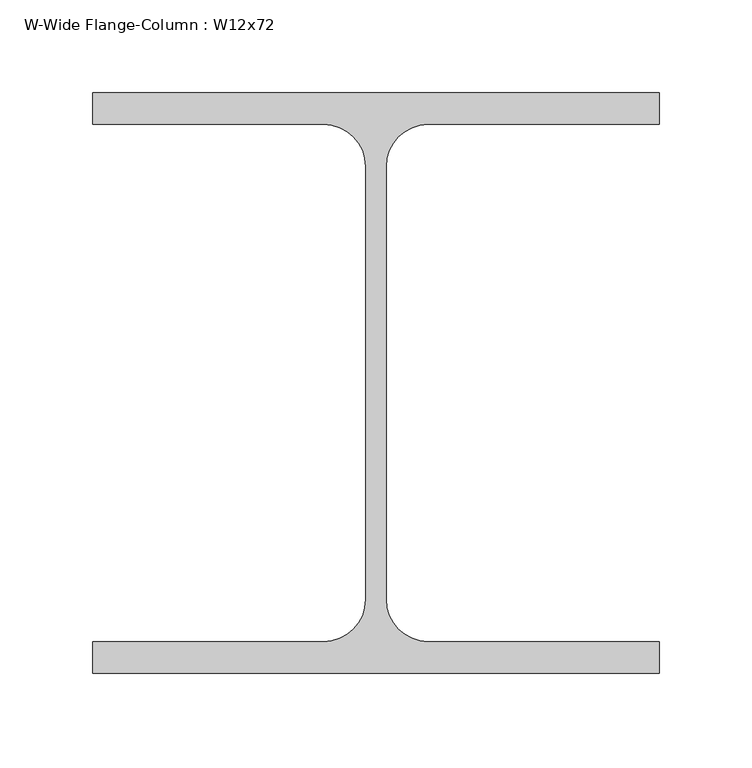
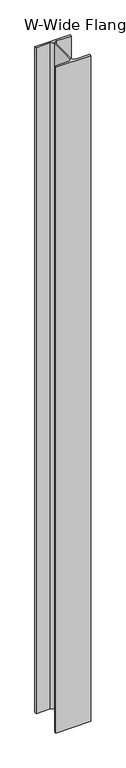
"""IFC4 building model written with IfcOpenShell, lengths in millimetres: column geometry, W-Wide Flange-Column : W12x72."""

from ifc_helpers import new_model, si_unit, point, frame, frame_2d, origin, place, context, project, spatial, polyline, circle_curve, trimmed, segment, composite_curve, outline, extrude, source, transform, mapped, element, save


def w_wide_flange_column_w12x72_5530d7a3(model_context):
    return source(origin(), model_context, "Body", "SweptSolid", [
        extrude(outline(composite_curve([segment(polyline([(152.4, 156.21), (152.4, 139.192), (28.1305, 139.192)]), True, "CONTINUOUS"), segment(trimmed(circle_curve(frame_2d((28.1305, 116.5225)), 22.6695), [point((28.1305, 139.192))], [point((5.461, 116.5225))], True, "CARTESIAN"), True, "CONTINUOUS"), segment(polyline([(5.461, 116.5225), (5.461, -116.5225)]), True, "CONTINUOUS"), segment(trimmed(circle_curve(frame_2d((28.1305, -116.5225)), 22.6695), [point((5.461, -116.5225))], [point((28.1305, -139.192))], True, "CARTESIAN"), True, "CONTINUOUS"), segment(polyline([(28.1305, -139.192), (152.4, -139.192), (152.4, -156.21), (-152.4, -156.21), (-152.4, -139.192), (-28.1305, -139.192)]), True, "CONTINUOUS"), segment(trimmed(circle_curve(frame_2d((-28.1305, -116.5225)), 22.6695), [point((-28.1305, -139.192))], [point((-5.461, -116.5225))], True, "CARTESIAN"), True, "CONTINUOUS"), segment(polyline([(-5.461, -116.5225), (-5.461, 116.5225)]), True, "CONTINUOUS"), segment(trimmed(circle_curve(frame_2d((-28.1305, 116.5225)), 22.6695), [point((-5.461, 116.5225))], [point((-28.1305, 139.192))], True, "CARTESIAN"), True, "CONTINUOUS"), segment(polyline([(-28.1305, 139.192), (-152.4, 139.192), (-152.4, 156.21), (152.4, 156.21)]), True, "CONTINUOUS")], self_intersect=False)), frame((0.0, 0.0, -304.8), z_axis=(0.0, 0.0, 1.0), x_axis=(1.0, 0.0, 0.0)), (0.0, 0.0, 1.0), 6096.0),
    ])


if __name__ == "__main__":
    model = new_model("IFC4")
    model_context = context("Model", 3, world=origin())
    ifc_project = project(units=[si_unit("LENGTHUNIT", "METRE", prefix="MILLI")], contexts=[model_context])
    site = spatial("IfcSite", under=ifc_project)
    building = spatial("IfcBuilding", under=site)
    placement = place(None, origin())
    w_wide_flange_column_w12x72_shape = w_wide_flange_column_w12x72_5530d7a3(model_context)
    element("IfcColumn", 1, ObjectType="W-Wide Flange-Column : W12x72", at=placement, inside=building, context=model_context, shape_type="MappedRepresentation", body=[
        mapped(w_wide_flange_column_w12x72_shape, transform((0.0, 0.0, 0.0), x_axis=(1.0, 0.0, 0.0), y_axis=(0.0, 1.0, 0.0), z_axis=(0.0, 0.0, 1.0))),
    ])
    save(model, "model.ifc")
